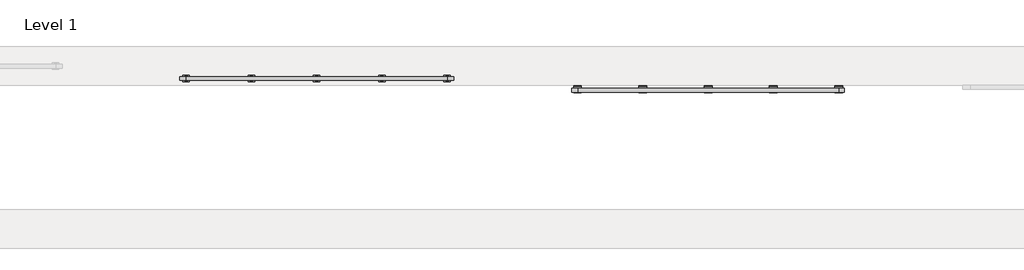
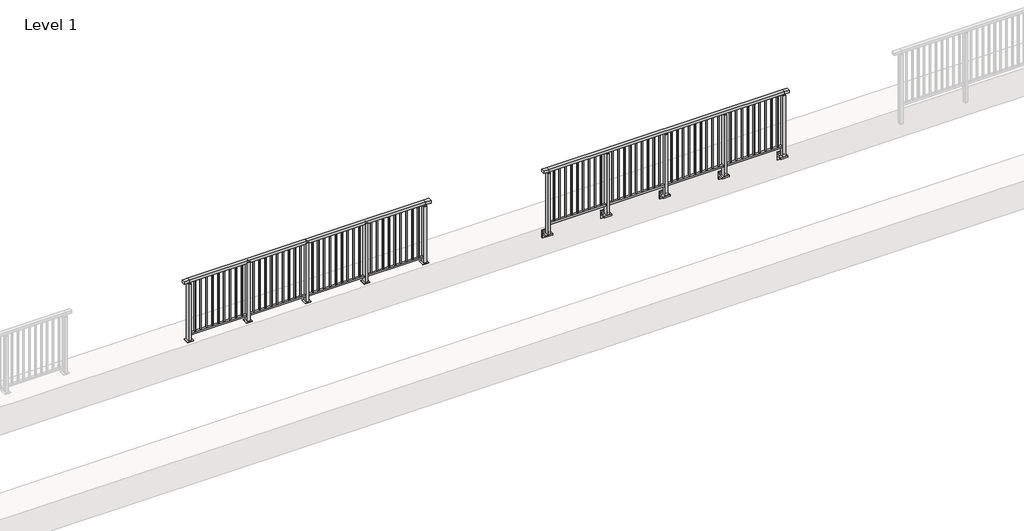
# One storey, part 14 of 37: 2 railings.
"""IFC4 building model written with IfcOpenShell, lengths in millimetres."""

import ifcopenshell
import ifcopenshell.guid

model = None  # the IFC model being written
_history = None  # IfcOwnerHistory: only IFC2X3 demands one
_inside = {}  # id of a spatial element -> (the spatial element, [elements in it])
_under = {}  # id of a project, library or spatial element -> (it, [spatial elements below it])
_declared = {}  # id of a project -> (the project, [libraries it declares])
_typed = {}  # id of a type object -> (the type object, [elements of that type])
_made_of = {}  # id of a material, layer set ... -> (it, [elements and type objects made of it])


def new_model(schema):
    """Start an empty IFC model of exactly this schema.

    Asked for "IFC4X3", IfcOpenShell would pick the latest addendum, in which some entities
    have other attributes; the version numbers below select the first issue.
    IFC2X3 requires an IfcOwnerHistory on every rooted entity: one is made here for all.
    """
    global model, _history
    if schema == "IFC4X3":
        model = ifcopenshell.file(schema_version=(4, 3, 0, 0))
    else:
        model = ifcopenshell.file(schema=schema)
    _inside.clear()
    _under.clear()
    _declared.clear()
    _typed.clear()
    _made_of.clear()
    _history = None
    if model.schema == "IFC2X3":
        org = make("IfcOrganization", Name="unknown")
        user = make(
            "IfcPersonAndOrganization",
            ThePerson=make("IfcPerson", FamilyName="unknown"),
            TheOrganization=org,
        )
        app = make(
            "IfcApplication",
            ApplicationDeveloper=org,
            Version="unknown",
            ApplicationFullName="unknown",
            ApplicationIdentifier="unknown",
        )
        _history = make(
            "IfcOwnerHistory",
            OwningUser=user,
            OwningApplication=app,
            ChangeAction="ADDED",
            CreationDate=0,
        )
    return model


def make(cls, **values):
    """One entity of the class cls with the attributes given. An attribute that is None is left unset."""
    return model.create_entity(
        cls, **{name: value for name, value in values.items() if value is not None}
    )


def rooted(cls, **values):
    """An entity with a GlobalId (a new one), such as an element, a storey or a relation."""
    return make(cls, GlobalId=ifcopenshell.guid.new(), OwnerHistory=_history, **values)


def si_unit(unit_type, name, prefix=None):
    """IfcSIUnit, for example si_unit("LENGTHUNIT", "METRE", prefix="MILLI")."""
    return make("IfcSIUnit", UnitType=unit_type, Prefix=prefix, Name=name)


def assignment(units):
    """IfcUnitAssignment: the units of a project."""
    return None if units is None else make("IfcUnitAssignment", Units=units)


def point(xyz):
    """IfcCartesianPoint."""
    return None if xyz is None else make("IfcCartesianPoint", Coordinates=xyz)


def direction(xyz):
    """IfcDirection."""
    return None if xyz is None else make("IfcDirection", DirectionRatios=xyz)


def frame(location, z_axis=None, x_axis=None):
    """IfcAxis2Placement3D, a coordinate frame: its origin and axes. An axis left out is left unset."""
    return make(
        "IfcAxis2Placement3D",
        Location=point(location),
        Axis=direction(z_axis),
        RefDirection=direction(x_axis),
    )


def frame_2d(location, x_axis=None):
    """IfcAxis2Placement2D, a coordinate frame in the plane: its origin and x axis."""
    return make(
        "IfcAxis2Placement2D", Location=point(location), RefDirection=direction(x_axis)
    )


def origin():
    """The frame at (0, 0, 0) with its axes left unset."""
    return frame((0.0, 0.0, 0.0))


def origin_with_axes():
    """The frame at (0, 0, 0) with the z axis (0, 0, 1) and the x axis (1, 0, 0) written out."""
    return frame((0.0, 0.0, 0.0), z_axis=(0.0, 0.0, 1.0), x_axis=(1.0, 0.0, 0.0))


def place(relative_to, where):
    """IfcLocalPlacement: puts the frame where relative to a parent placement (None: the world)."""
    return make(
        "IfcLocalPlacement", PlacementRelTo=relative_to, RelativePlacement=where
    )


def context(
    kind, dimensions, precision=None, world=None, true_north=None, identifier=None
):
    """IfcGeometricRepresentationContext, for example the 3D "Model" context."""
    return make(
        "IfcGeometricRepresentationContext",
        ContextIdentifier=identifier,
        ContextType=kind,
        CoordinateSpaceDimension=dimensions,
        Precision=precision,
        WorldCoordinateSystem=world,
        TrueNorth=true_north,
    )


def project(units=None, contexts=None):
    """IfcProject with its units and contexts."""
    return rooted(
        "IfcProject",
        Name="project",
        RepresentationContexts=contexts,
        UnitsInContext=assignment(units),
    )


def spatial(cls, under=None, at=None, **own):
    """A site, building, storey or space (cls), placed at a placement, below another one or the project."""
    s = rooted(cls, ObjectPlacement=at, **own)
    if under is not None:
        _under.setdefault(under.id(), (under, []))[1].append(s)
    return s


def polyline(points):
    """IfcPolyline through the points."""
    return make("IfcPolyline", Points=[point(p) for p in points])


def circle_curve(where, radius):
    """IfcCircle in the frame where."""
    return make("IfcCircle", Position=where, Radius=radius)


def trimmed(basis, trim1, trim2, sense, master):
    """IfcTrimmedCurve: the piece of a basis curve between two trims."""
    return make(
        "IfcTrimmedCurve",
        BasisCurve=basis,
        Trim1=trim1,
        Trim2=trim2,
        SenseAgreement=sense,
        MasterRepresentation=master,
    )


def segment(curve, same_sense, transition):
    """IfcCompositeCurveSegment."""
    return make(
        "IfcCompositeCurveSegment",
        Transition=transition,
        SameSense=same_sense,
        ParentCurve=curve,
    )


def composite_curve(segments, self_intersect=None):
    """IfcCompositeCurve: segments joined end to end."""
    return make("IfcCompositeCurve", Segments=segments, SelfIntersect=self_intersect)


def outline(outer, holes=None, kind="AREA"):
    """IfcArbitraryClosedProfileDef: a profile drawn as a closed curve; with holes, ...WithVoids."""
    if holes is None:
        return make("IfcArbitraryClosedProfileDef", ProfileType=kind, OuterCurve=outer)
    return make(
        "IfcArbitraryProfileDefWithVoids",
        ProfileType=kind,
        OuterCurve=outer,
        InnerCurves=holes,
    )


def extrude(swept, where, along, depth):
    """IfcExtrudedAreaSolid: the profile swept, set in the frame where, extruded along a direction by depth."""
    return make(
        "IfcExtrudedAreaSolid",
        SweptArea=swept,
        Position=where,
        ExtrudedDirection=direction(along),
        Depth=depth,
    )


def faces_of(points, faces, orient=None, outer=None):
    """IfcFace entities. A face is a list of loops; a loop is a list of indices into points, from 0.

    orient and outer hold one flag for each loop. By default every Orientation is true, the
    first loop of a face is its IfcFaceOuterBound and the others are IfcFaceBound.
    """
    made = []
    for i, loops in enumerate(faces):
        bounds = []
        for j, loop in enumerate(loops):
            is_outer = j == 0 if outer is None else outer[i][j]
            bounds.append(
                make(
                    "IfcFaceOuterBound" if is_outer else "IfcFaceBound",
                    Bound=make("IfcPolyLoop", Polygon=[points[k] for k in loop]),
                    Orientation=True if orient is None else orient[i][j],
                )
            )
        made.append(make("IfcFace", Bounds=bounds))
    return made


def faceted_brep(points, faces, orient=None, outer=None, voids=None):
    """IfcFacetedBrep: a solid bounded by flat faces; with voids (closed shells), ...WithVoids."""
    shared = [point(p) for p in points]
    hull = make("IfcClosedShell", CfsFaces=faces_of(shared, faces, orient, outer))
    if voids is None:
        return make("IfcFacetedBrep", Outer=hull)
    return make(
        "IfcFacetedBrepWithVoids",
        Outer=hull,
        Voids=[
            make(cls, CfsFaces=faces_of(shared, fs, o, b)) for cls, fs, o, b in voids
        ],
    )


def shape(context_of_items, identifier, shape_type, items):
    """IfcShapeRepresentation: the items that make up one representation, for example the "Body"."""
    return make(
        "IfcShapeRepresentation",
        ContextOfItems=context_of_items,
        RepresentationIdentifier=identifier,
        RepresentationType=shape_type,
        Items=items,
    )


def made_of(thing, what):
    """Note that an element or type object is made of a material, layer set ...; save() writes the relation."""
    if what is not None:
        _made_of.setdefault(what.id(), (what, []))[1].append(thing)
    return thing


def element(
    cls,
    number,
    at=None,
    inside=None,
    cuts=None,
    type_object=None,
    material=None,
    context=None,
    identifier="Body",
    shape_type=None,
    held_by="IfcProductDefinitionShape",
    body=None,
    shapes=None,
    **own,
):
    """One element of the class cls, such as IfcWall. Its Tag is "e" and its number.

    at: its placement. inside: the storey or other place that contains it. cuts: it is an
    opening in that element (IfcRelVoidsElement). A single representation is given by context,
    identifier, shape_type and body (its items); several are given by shapes. held_by: the class
    of the entity that holds the representations. save() writes the other relations.
    """
    e = rooted(cls, Tag="e%d" % number, ObjectPlacement=at, **own)
    if body is not None:
        shapes = [shape(context, identifier, shape_type, body)]
    if shapes is not None:
        e.Representation = make(held_by, Representations=shapes)
    if inside is not None:
        _inside.setdefault(inside.id(), (inside, []))[1].append(e)
    if cuts is not None:
        rooted(
            "IfcRelVoidsElement", RelatingBuildingElement=cuts, RelatedOpeningElement=e
        )
    if type_object is not None:
        _typed.setdefault(type_object.id(), (type_object, []))[1].append(e)
    return made_of(e, material)


def aggregate(whole, parts):
    """IfcRelAggregates: a whole, such as a stair, and the parts it consists of."""
    return rooted("IfcRelAggregates", RelatingObject=whole, RelatedObjects=parts)


def save(model, path):
    """Write the relations noted so far, then the file.

    IfcRelAggregates (storeys below a building ...), IfcRelContainedInSpatialStructure (elements
    in a storey), IfcRelDefinesByType, IfcRelAssociatesMaterial and IfcRelDeclares: one each for
    every whole, place, type object, material and project.
    """
    for whole, parts in _under.values():
        aggregate(whole, parts)
    for where, things in _inside.values():
        rooted(
            "IfcRelContainedInSpatialStructure",
            RelatedElements=things,
            RelatingStructure=where,
        )
    for kind, things in _typed.values():
        rooted("IfcRelDefinesByType", RelatedObjects=things, RelatingType=kind)
    for what, things in _made_of.values():
        rooted("IfcRelAssociatesMaterial", RelatedObjects=things, RelatingMaterial=what)
    for by, libraries in _declared.values():
        rooted("IfcRelDeclares", RelatingContext=by, RelatedDefinitions=libraries)
    model.write(path)


model = new_model("IFC4")

# Units and contexts
model_context = context("Model", 3, world=origin())
ifc_project = project(units=[si_unit("LENGTHUNIT", "METRE", prefix="MILLI")], contexts=[model_context])

# Site, building, storey
site = spatial("IfcSite", under=ifc_project)
building = spatial("IfcBuilding", under=site)
storey = spatial("IfcBuildingStorey", under=building, Name="Level 1", Elevation=0.0)

# Railings
placement = place(None, origin())
element("IfcRailing", 1, at=placement, inside=storey, context=model_context, shape_type="SolidModel", body=[
    faceted_brep([(11910.0, 17347.6846828, 1100.0), (11910.0, 17347.6846828, 1055.0), (11910.0, 17287.6846828, 1055.0), (11910.0, 17287.6846828, 1100.0), (12000.0, 17347.6846828, 1100.0), (12000.0, 17347.6846828, 1055.0), (12000.0, 17287.6846828, 1055.0), (12000.0, 17287.6846828, 1100.0), (16000.0, 17347.6846828, 1100.0), (16000.0, 17347.6846828, 1055.0), (16000.0, 17287.6846828, 1055.0), (16000.0, 17287.6846828, 1100.0), (16090.0, 17347.6846828, 1100.0), (16090.0, 17287.6846828, 1100.0), (16090.0, 17287.6846828, 1055.0), (16090.0, 17347.6846828, 1055.0)], [[[0, 1, 2, 3]], [[1, 0, 4, 5]], [[2, 1, 5, 6]], [[3, 2, 6, 7]], [[0, 3, 7, 4]], [[5, 4, 8, 9]], [[6, 5, 9, 10]], [[7, 6, 10, 11]], [[4, 7, 11, 8]], [[12, 13, 14, 15]], [[9, 8, 12, 15]], [[10, 9, 15, 14]], [[11, 10, 14, 13]], [[8, 11, 13, 12]]]),
    extrude(outline(polyline([(12000.0, 17300.1846828), (12000.0, 17335.1846828), (16000.0, 17335.1846828), (16000.0, 17300.1846828), (12000.0, 17300.1846828)])), frame((0.0, 0.0, 95.0), z_axis=(0.0, 0.0, 1.0), x_axis=(1.0, 0.0, 0.0)), (0.0, 0.0, 1.0), 30.0),
    extrude(outline(polyline([(15908.5, 17309.1846828), (15891.5, 17309.1846828), (15891.5, 17326.1846828), (15908.5, 17326.1846828), (15908.5, 17309.1846828)])), frame((0.0, 0.0, 125.0), z_axis=(0.0, 0.0, 1.0), x_axis=(1.0, 0.0, 0.0)), (0.0, 0.0, 1.0), 930.0),
    extrude(outline(polyline([(15808.5, 17309.1846828), (15791.5, 17309.1846828), (15791.5, 17326.1846828), (15808.5, 17326.1846828), (15808.5, 17309.1846828)])), frame((0.0, 0.0, 125.0), z_axis=(0.0, 0.0, 1.0), x_axis=(1.0, 0.0, 0.0)), (0.0, 0.0, 1.0), 930.0),
    extrude(outline(polyline([(15708.5, 17309.1846828), (15691.5, 17309.1846828), (15691.5, 17326.1846828), (15708.5, 17326.1846828), (15708.5, 17309.1846828)])), frame((0.0, 0.0, 125.0), z_axis=(0.0, 0.0, 1.0), x_axis=(1.0, 0.0, 0.0)), (0.0, 0.0, 1.0), 930.0),
    extrude(outline(polyline([(15608.5, 17309.1846828), (15591.5, 17309.1846828), (15591.5, 17326.1846828), (15608.5, 17326.1846828), (15608.5, 17309.1846828)])), frame((0.0, 0.0, 125.0), z_axis=(0.0, 0.0, 1.0), x_axis=(1.0, 0.0, 0.0)), (0.0, 0.0, 1.0), 930.0),
    extrude(outline(polyline([(15508.5, 17309.1846828), (15491.5, 17309.1846828), (15491.5, 17326.1846828), (15508.5, 17326.1846828), (15508.5, 17309.1846828)])), frame((0.0, 0.0, 125.0), z_axis=(0.0, 0.0, 1.0), x_axis=(1.0, 0.0, 0.0)), (0.0, 0.0, 1.0), 930.0),
    extrude(outline(polyline([(15408.5, 17309.1846828), (15391.5, 17309.1846828), (15391.5, 17326.1846828), (15408.5, 17326.1846828), (15408.5, 17309.1846828)])), frame((0.0, 0.0, 125.0), z_axis=(0.0, 0.0, 1.0), x_axis=(1.0, 0.0, 0.0)), (0.0, 0.0, 1.0), 930.0),
    extrude(outline(polyline([(15308.5, 17309.1846828), (15291.5, 17309.1846828), (15291.5, 17326.1846828), (15308.5, 17326.1846828), (15308.5, 17309.1846828)])), frame((0.0, 0.0, 125.0), z_axis=(0.0, 0.0, 1.0), x_axis=(1.0, 0.0, 0.0)), (0.0, 0.0, 1.0), 930.0),
    extrude(outline(polyline([(15208.5, 17309.1846828), (15191.5, 17309.1846828), (15191.5, 17326.1846828), (15208.5, 17326.1846828), (15208.5, 17309.1846828)])), frame((0.0, 0.0, 125.0), z_axis=(0.0, 0.0, 1.0), x_axis=(1.0, 0.0, 0.0)), (0.0, 0.0, 1.0), 930.0),
    extrude(outline(polyline([(15108.5, 17309.1846828), (15091.5, 17309.1846828), (15091.5, 17326.1846828), (15108.5, 17326.1846828), (15108.5, 17309.1846828)])), frame((0.0, 0.0, 125.0), z_axis=(0.0, 0.0, 1.0), x_axis=(1.0, 0.0, 0.0)), (0.0, 0.0, 1.0), 930.0),
    extrude(outline(composite_curve([segment(polyline([(17350.1846828, -70.0), (17384.1846828, -63.0), (17384.1846828, -32.5), (17400.1846828, -32.5), (17400.1846828, -167.5), (17384.1846828, -167.5), (17384.1846828, -113.5)]), True, "CONTINUOUS"), segment(trimmed(circle_curve(frame_2d((17364.1846828, -113.5)), 20.0), [point((17384.1846828, -113.5))], [point((17364.1846828, -93.5))], True, "CARTESIAN"), True, "CONTINUOUS"), segment(polyline([(17364.1846828, -93.5), (17280.1846828, -93.5), (17280.1846828, -70.0), (17350.1846828, -70.0)]), True, "CONTINUOUS")], self_intersect=False)), frame((14940.0, 0.0, 0.0), z_axis=(1.0, 0.0, 0.0), x_axis=(0.0, 1.0, 0.0)), (0.0, 0.0, 1.0), 120.0),
    extrude(outline(polyline([(15022.5, 17350.1846828), (15022.5, 17285.1846828), (14977.5, 17285.1846828), (14977.5, 17350.1846828), (15022.5, 17350.1846828)])), frame((0.0, 0.0, -70.0), z_axis=(0.0, 0.0, 1.0), x_axis=(1.0, 0.0, 0.0)), (0.0, 0.0, 1.0), 1097.0),
    extrude(outline(polyline([(15010.0, 17327.6846828), (15010.0, 17307.6846828), (14990.0, 17307.6846828), (14990.0, 17327.6846828), (15010.0, 17327.6846828)])), frame((0.0, 0.0, 1035.0), z_axis=(0.0, 0.0, 1.0), x_axis=(1.0, 0.0, 0.0)), (0.0, 0.0, 1.0), 20.0),
    extrude(outline(polyline([(15022.5, 17350.1846828), (15022.5, 17285.1846828), (14977.5, 17285.1846828), (14977.5, 17350.1846828), (15022.5, 17350.1846828)])), frame((0.0, 0.0, 1027.0), z_axis=(0.0, 0.0, 1.0), x_axis=(1.0, 0.0, 0.0)), (0.0, 0.0, 1.0), 8.0),
    extrude(outline(polyline([(14908.5, 17309.1846828), (14891.5, 17309.1846828), (14891.5, 17326.1846828), (14908.5, 17326.1846828), (14908.5, 17309.1846828)])), frame((0.0, 0.0, 125.0), z_axis=(0.0, 0.0, 1.0), x_axis=(1.0, 0.0, 0.0)), (0.0, 0.0, 1.0), 930.0),
    extrude(outline(polyline([(14808.5, 17309.1846828), (14791.5, 17309.1846828), (14791.5, 17326.1846828), (14808.5, 17326.1846828), (14808.5, 17309.1846828)])), frame((0.0, 0.0, 125.0), z_axis=(0.0, 0.0, 1.0), x_axis=(1.0, 0.0, 0.0)), (0.0, 0.0, 1.0), 930.0),
    extrude(outline(polyline([(14708.5, 17309.1846828), (14691.5, 17309.1846828), (14691.5, 17326.1846828), (14708.5, 17326.1846828), (14708.5, 17309.1846828)])), frame((0.0, 0.0, 125.0), z_axis=(0.0, 0.0, 1.0), x_axis=(1.0, 0.0, 0.0)), (0.0, 0.0, 1.0), 930.0),
    extrude(outline(polyline([(14608.5, 17309.1846828), (14591.5, 17309.1846828), (14591.5, 17326.1846828), (14608.5, 17326.1846828), (14608.5, 17309.1846828)])), frame((0.0, 0.0, 125.0), z_axis=(0.0, 0.0, 1.0), x_axis=(1.0, 0.0, 0.0)), (0.0, 0.0, 1.0), 930.0),
    extrude(outline(polyline([(14508.5, 17309.1846828), (14491.5, 17309.1846828), (14491.5, 17326.1846828), (14508.5, 17326.1846828), (14508.5, 17309.1846828)])), frame((0.0, 0.0, 125.0), z_axis=(0.0, 0.0, 1.0), x_axis=(1.0, 0.0, 0.0)), (0.0, 0.0, 1.0), 930.0),
    extrude(outline(polyline([(14408.5, 17309.1846828), (14391.5, 17309.1846828), (14391.5, 17326.1846828), (14408.5, 17326.1846828), (14408.5, 17309.1846828)])), frame((0.0, 0.0, 125.0), z_axis=(0.0, 0.0, 1.0), x_axis=(1.0, 0.0, 0.0)), (0.0, 0.0, 1.0), 930.0),
    extrude(outline(polyline([(14308.5, 17309.1846828), (14291.5, 17309.1846828), (14291.5, 17326.1846828), (14308.5, 17326.1846828), (14308.5, 17309.1846828)])), frame((0.0, 0.0, 125.0), z_axis=(0.0, 0.0, 1.0), x_axis=(1.0, 0.0, 0.0)), (0.0, 0.0, 1.0), 930.0),
    extrude(outline(polyline([(14208.5, 17309.1846828), (14191.5, 17309.1846828), (14191.5, 17326.1846828), (14208.5, 17326.1846828), (14208.5, 17309.1846828)])), frame((0.0, 0.0, 125.0), z_axis=(0.0, 0.0, 1.0), x_axis=(1.0, 0.0, 0.0)), (0.0, 0.0, 1.0), 930.0),
    extrude(outline(polyline([(14108.5, 17309.1846828), (14091.5, 17309.1846828), (14091.5, 17326.1846828), (14108.5, 17326.1846828), (14108.5, 17309.1846828)])), frame((0.0, 0.0, 125.0), z_axis=(0.0, 0.0, 1.0), x_axis=(1.0, 0.0, 0.0)), (0.0, 0.0, 1.0), 930.0),
    extrude(outline(composite_curve([segment(polyline([(17350.1846828, -70.0), (17384.1846828, -63.0), (17384.1846828, -32.5), (17400.1846828, -32.5), (17400.1846828, -167.5), (17384.1846828, -167.5), (17384.1846828, -113.5)]), True, "CONTINUOUS"), segment(trimmed(circle_curve(frame_2d((17364.1846828, -113.5)), 20.0), [point((17384.1846828, -113.5))], [point((17364.1846828, -93.5))], True, "CARTESIAN"), True, "CONTINUOUS"), segment(polyline([(17364.1846828, -93.5), (17280.1846828, -93.5), (17280.1846828, -70.0), (17350.1846828, -70.0)]), True, "CONTINUOUS")], self_intersect=False)), frame((13940.0, 0.0, 0.0), z_axis=(1.0, 0.0, 0.0), x_axis=(0.0, 1.0, 0.0)), (0.0, 0.0, 1.0), 120.0),
    extrude(outline(polyline([(14022.5, 17350.1846828), (14022.5, 17285.1846828), (13977.5, 17285.1846828), (13977.5, 17350.1846828), (14022.5, 17350.1846828)])), frame((0.0, 0.0, -70.0), z_axis=(0.0, 0.0, 1.0), x_axis=(1.0, 0.0, 0.0)), (0.0, 0.0, 1.0), 1097.0),
    extrude(outline(polyline([(14010.0, 17327.6846828), (14010.0, 17307.6846828), (13990.0, 17307.6846828), (13990.0, 17327.6846828), (14010.0, 17327.6846828)])), frame((0.0, 0.0, 1035.0), z_axis=(0.0, 0.0, 1.0), x_axis=(1.0, 0.0, 0.0)), (0.0, 0.0, 1.0), 20.0),
    extrude(outline(polyline([(14022.5, 17350.1846828), (14022.5, 17285.1846828), (13977.5, 17285.1846828), (13977.5, 17350.1846828), (14022.5, 17350.1846828)])), frame((0.0, 0.0, 1027.0), z_axis=(0.0, 0.0, 1.0), x_axis=(1.0, 0.0, 0.0)), (0.0, 0.0, 1.0), 8.0),
    extrude(outline(polyline([(13908.5, 17309.1846828), (13891.5, 17309.1846828), (13891.5, 17326.1846828), (13908.5, 17326.1846828), (13908.5, 17309.1846828)])), frame((0.0, 0.0, 125.0), z_axis=(0.0, 0.0, 1.0), x_axis=(1.0, 0.0, 0.0)), (0.0, 0.0, 1.0), 930.0),
    extrude(outline(polyline([(13808.5, 17309.1846828), (13791.5, 17309.1846828), (13791.5, 17326.1846828), (13808.5, 17326.1846828), (13808.5, 17309.1846828)])), frame((0.0, 0.0, 125.0), z_axis=(0.0, 0.0, 1.0), x_axis=(1.0, 0.0, 0.0)), (0.0, 0.0, 1.0), 930.0),
    extrude(outline(polyline([(13708.5, 17309.1846828), (13691.5, 17309.1846828), (13691.5, 17326.1846828), (13708.5, 17326.1846828), (13708.5, 17309.1846828)])), frame((0.0, 0.0, 125.0), z_axis=(0.0, 0.0, 1.0), x_axis=(1.0, 0.0, 0.0)), (0.0, 0.0, 1.0), 930.0),
    extrude(outline(polyline([(13608.5, 17309.1846828), (13591.5, 17309.1846828), (13591.5, 17326.1846828), (13608.5, 17326.1846828), (13608.5, 17309.1846828)])), frame((0.0, 0.0, 125.0), z_axis=(0.0, 0.0, 1.0), x_axis=(1.0, 0.0, 0.0)), (0.0, 0.0, 1.0), 930.0),
    extrude(outline(polyline([(13508.5, 17309.1846828), (13491.5, 17309.1846828), (13491.5, 17326.1846828), (13508.5, 17326.1846828), (13508.5, 17309.1846828)])), frame((0.0, 0.0, 125.0), z_axis=(0.0, 0.0, 1.0), x_axis=(1.0, 0.0, 0.0)), (0.0, 0.0, 1.0), 930.0),
    extrude(outline(polyline([(13408.5, 17309.1846828), (13391.5, 17309.1846828), (13391.5, 17326.1846828), (13408.5, 17326.1846828), (13408.5, 17309.1846828)])), frame((0.0, 0.0, 125.0), z_axis=(0.0, 0.0, 1.0), x_axis=(1.0, 0.0, 0.0)), (0.0, 0.0, 1.0), 930.0),
    extrude(outline(polyline([(13308.5, 17309.1846828), (13291.5, 17309.1846828), (13291.5, 17326.1846828), (13308.5, 17326.1846828), (13308.5, 17309.1846828)])), frame((0.0, 0.0, 125.0), z_axis=(0.0, 0.0, 1.0), x_axis=(1.0, 0.0, 0.0)), (0.0, 0.0, 1.0), 930.0),
    extrude(outline(polyline([(13208.5, 17309.1846828), (13191.5, 17309.1846828), (13191.5, 17326.1846828), (13208.5, 17326.1846828), (13208.5, 17309.1846828)])), frame((0.0, 0.0, 125.0), z_axis=(0.0, 0.0, 1.0), x_axis=(1.0, 0.0, 0.0)), (0.0, 0.0, 1.0), 930.0),
    extrude(outline(polyline([(13108.5, 17309.1846828), (13091.5, 17309.1846828), (13091.5, 17326.1846828), (13108.5, 17326.1846828), (13108.5, 17309.1846828)])), frame((0.0, 0.0, 125.0), z_axis=(0.0, 0.0, 1.0), x_axis=(1.0, 0.0, 0.0)), (0.0, 0.0, 1.0), 930.0),
    extrude(outline(composite_curve([segment(polyline([(17350.1846828, -70.0), (17384.1846828, -63.0), (17384.1846828, -32.5), (17400.1846828, -32.5), (17400.1846828, -167.5), (17384.1846828, -167.5), (17384.1846828, -113.5)]), True, "CONTINUOUS"), segment(trimmed(circle_curve(frame_2d((17364.1846828, -113.5)), 20.0), [point((17384.1846828, -113.5))], [point((17364.1846828, -93.5))], True, "CARTESIAN"), True, "CONTINUOUS"), segment(polyline([(17364.1846828, -93.5), (17280.1846828, -93.5), (17280.1846828, -70.0), (17350.1846828, -70.0)]), True, "CONTINUOUS")], self_intersect=False)), frame((12940.0, 0.0, 0.0), z_axis=(1.0, 0.0, 0.0), x_axis=(0.0, 1.0, 0.0)), (0.0, 0.0, 1.0), 120.0),
    extrude(outline(polyline([(13022.5, 17350.1846828), (13022.5, 17285.1846828), (12977.5, 17285.1846828), (12977.5, 17350.1846828), (13022.5, 17350.1846828)])), frame((0.0, 0.0, -70.0), z_axis=(0.0, 0.0, 1.0), x_axis=(1.0, 0.0, 0.0)), (0.0, 0.0, 1.0), 1097.0),
    extrude(outline(polyline([(13010.0, 17327.6846828), (13010.0, 17307.6846828), (12990.0, 17307.6846828), (12990.0, 17327.6846828), (13010.0, 17327.6846828)])), frame((0.0, 0.0, 1035.0), z_axis=(0.0, 0.0, 1.0), x_axis=(1.0, 0.0, 0.0)), (0.0, 0.0, 1.0), 20.0),
    extrude(outline(polyline([(13022.5, 17350.1846828), (13022.5, 17285.1846828), (12977.5, 17285.1846828), (12977.5, 17350.1846828), (13022.5, 17350.1846828)])), frame((0.0, 0.0, 1027.0), z_axis=(0.0, 0.0, 1.0), x_axis=(1.0, 0.0, 0.0)), (0.0, 0.0, 1.0), 8.0),
    extrude(outline(polyline([(12908.5, 17309.1846828), (12891.5, 17309.1846828), (12891.5, 17326.1846828), (12908.5, 17326.1846828), (12908.5, 17309.1846828)])), frame((0.0, 0.0, 125.0), z_axis=(0.0, 0.0, 1.0), x_axis=(1.0, 0.0, 0.0)), (0.0, 0.0, 1.0), 930.0),
    extrude(outline(polyline([(12808.5, 17309.1846828), (12791.5, 17309.1846828), (12791.5, 17326.1846828), (12808.5, 17326.1846828), (12808.5, 17309.1846828)])), frame((0.0, 0.0, 125.0), z_axis=(0.0, 0.0, 1.0), x_axis=(1.0, 0.0, 0.0)), (0.0, 0.0, 1.0), 930.0),
    extrude(outline(polyline([(12708.5, 17309.1846828), (12691.5, 17309.1846828), (12691.5, 17326.1846828), (12708.5, 17326.1846828), (12708.5, 17309.1846828)])), frame((0.0, 0.0, 125.0), z_axis=(0.0, 0.0, 1.0), x_axis=(1.0, 0.0, 0.0)), (0.0, 0.0, 1.0), 930.0),
    extrude(outline(polyline([(12608.5, 17309.1846828), (12591.5, 17309.1846828), (12591.5, 17326.1846828), (12608.5, 17326.1846828), (12608.5, 17309.1846828)])), frame((0.0, 0.0, 125.0), z_axis=(0.0, 0.0, 1.0), x_axis=(1.0, 0.0, 0.0)), (0.0, 0.0, 1.0), 930.0),
    extrude(outline(polyline([(12508.5, 17309.1846828), (12491.5, 17309.1846828), (12491.5, 17326.1846828), (12508.5, 17326.1846828), (12508.5, 17309.1846828)])), frame((0.0, 0.0, 125.0), z_axis=(0.0, 0.0, 1.0), x_axis=(1.0, 0.0, 0.0)), (0.0, 0.0, 1.0), 930.0),
    extrude(outline(polyline([(12408.5, 17309.1846828), (12391.5, 17309.1846828), (12391.5, 17326.1846828), (12408.5, 17326.1846828), (12408.5, 17309.1846828)])), frame((0.0, 0.0, 125.0), z_axis=(0.0, 0.0, 1.0), x_axis=(1.0, 0.0, 0.0)), (0.0, 0.0, 1.0), 930.0),
    extrude(outline(polyline([(12308.5, 17309.1846828), (12291.5, 17309.1846828), (12291.5, 17326.1846828), (12308.5, 17326.1846828), (12308.5, 17309.1846828)])), frame((0.0, 0.0, 125.0), z_axis=(0.0, 0.0, 1.0), x_axis=(1.0, 0.0, 0.0)), (0.0, 0.0, 1.0), 930.0),
    extrude(outline(polyline([(12208.5, 17309.1846828), (12191.5, 17309.1846828), (12191.5, 17326.1846828), (12208.5, 17326.1846828), (12208.5, 17309.1846828)])), frame((0.0, 0.0, 125.0), z_axis=(0.0, 0.0, 1.0), x_axis=(1.0, 0.0, 0.0)), (0.0, 0.0, 1.0), 930.0),
    extrude(outline(polyline([(12108.5, 17309.1846828), (12091.5, 17309.1846828), (12091.5, 17326.1846828), (12108.5, 17326.1846828), (12108.5, 17309.1846828)])), frame((0.0, 0.0, 125.0), z_axis=(0.0, 0.0, 1.0), x_axis=(1.0, 0.0, 0.0)), (0.0, 0.0, 1.0), 930.0),
    extrude(outline(composite_curve([segment(polyline([(17350.1846828, -70.0), (17384.1846828, -63.0), (17384.1846828, -32.5), (17400.1846828, -32.5), (17400.1846828, -167.5), (17384.1846828, -167.5), (17384.1846828, -113.5)]), True, "CONTINUOUS"), segment(trimmed(circle_curve(frame_2d((17364.1846828, -113.5)), 20.0), [point((17384.1846828, -113.5))], [point((17364.1846828, -93.5))], True, "CARTESIAN"), True, "CONTINUOUS"), segment(polyline([(17364.1846828, -93.5), (17280.1846828, -93.5), (17280.1846828, -70.0), (17350.1846828, -70.0)]), True, "CONTINUOUS")], self_intersect=False)), frame((15940.0, 0.0, 0.0), z_axis=(1.0, 0.0, 0.0), x_axis=(0.0, 1.0, 0.0)), (0.0, 0.0, 1.0), 120.0),
    extrude(outline(polyline([(16022.5, 17350.1846828), (16022.5, 17285.1846828), (15977.5, 17285.1846828), (15977.5, 17350.1846828), (16022.5, 17350.1846828)])), frame((0.0, 0.0, -70.0), z_axis=(0.0, 0.0, 1.0), x_axis=(1.0, 0.0, 0.0)), (0.0, 0.0, 1.0), 1097.0),
    extrude(outline(polyline([(16010.0, 17327.6846828), (16010.0, 17307.6846828), (15990.0, 17307.6846828), (15990.0, 17327.6846828), (16010.0, 17327.6846828)])), frame((0.0, 0.0, 1035.0), z_axis=(0.0, 0.0, 1.0), x_axis=(1.0, 0.0, 0.0)), (0.0, 0.0, 1.0), 20.0),
    extrude(outline(polyline([(16022.5, 17350.1846828), (16022.5, 17285.1846828), (15977.5, 17285.1846828), (15977.5, 17350.1846828), (16022.5, 17350.1846828)])), frame((0.0, 0.0, 1027.0), z_axis=(0.0, 0.0, 1.0), x_axis=(1.0, 0.0, 0.0)), (0.0, 0.0, 1.0), 8.0),
    extrude(outline(composite_curve([segment(polyline([(17350.1846828, -70.0), (17384.1846828, -63.0), (17384.1846828, -32.5), (17400.1846828, -32.5), (17400.1846828, -167.5), (17384.1846828, -167.5), (17384.1846828, -113.5)]), True, "CONTINUOUS"), segment(trimmed(circle_curve(frame_2d((17364.1846828, -113.5)), 20.0), [point((17384.1846828, -113.5))], [point((17364.1846828, -93.5))], True, "CARTESIAN"), True, "CONTINUOUS"), segment(polyline([(17364.1846828, -93.5), (17280.1846828, -93.5), (17280.1846828, -70.0), (17350.1846828, -70.0)]), True, "CONTINUOUS")], self_intersect=False)), frame((11940.0, 0.0, 0.0), z_axis=(1.0, 0.0, 0.0), x_axis=(0.0, 1.0, 0.0)), (0.0, 0.0, 1.0), 120.0),
    extrude(outline(polyline([(12022.5, 17350.1846828), (12022.5, 17285.1846828), (11977.5, 17285.1846828), (11977.5, 17350.1846828), (12022.5, 17350.1846828)])), frame((0.0, 0.0, -70.0), z_axis=(0.0, 0.0, 1.0), x_axis=(1.0, 0.0, 0.0)), (0.0, 0.0, 1.0), 1097.0),
    extrude(outline(polyline([(12010.0, 17327.6846828), (12010.0, 17307.6846828), (11990.0, 17307.6846828), (11990.0, 17327.6846828), (12010.0, 17327.6846828)])), frame((0.0, 0.0, 1035.0), z_axis=(0.0, 0.0, 1.0), x_axis=(1.0, 0.0, 0.0)), (0.0, 0.0, 1.0), 20.0),
    extrude(outline(polyline([(12022.5, 17350.1846828), (12022.5, 17285.1846828), (11977.5, 17285.1846828), (11977.5, 17350.1846828), (12022.5, 17350.1846828)])), frame((0.0, 0.0, 1027.0), z_axis=(0.0, 0.0, 1.0), x_axis=(1.0, 0.0, 0.0)), (0.0, 0.0, 1.0), 8.0),
])
element("IfcRailing", 2, at=placement, inside=storey, context=model_context, shape_type="SolidModel", body=[
    faceted_brep([(6000.0, 17530.1846828, 1055.0), (6000.0, 17530.1846828, 1100.0), (10000.0, 17530.1846828, 1100.0), (10000.0, 17530.1846828, 1055.0), (6000.0, 17470.1846828, 1055.0), (10000.0, 17470.1846828, 1055.0), (6000.0, 17470.1846828, 1100.0), (10000.0, 17470.1846828, 1100.0), (5900.0, 17530.1846828, 1100.0), (5900.0, 17530.1846828, 1055.0), (5900.0, 17470.1846828, 1055.0), (5900.0, 17470.1846828, 1100.0), (10100.0, 17530.1846828, 1100.0), (10100.0, 17470.1846828, 1100.0), (10100.0, 17470.1846828, 1055.0), (10100.0, 17530.1846828, 1055.0)], [[[0, 1, 2, 3]], [[4, 0, 3, 5]], [[6, 4, 5, 7]], [[1, 6, 7, 2]], [[8, 9, 10, 11]], [[9, 8, 1, 0]], [[10, 9, 0, 4]], [[11, 10, 4, 6]], [[8, 11, 6, 1]], [[12, 13, 14, 15]], [[3, 2, 12, 15]], [[5, 3, 15, 14]], [[7, 5, 14, 13]], [[2, 7, 13, 12]]]),
    extrude(outline(polyline([(6000.0, 17482.6846828), (6000.0, 17517.6846828), (10000.0, 17517.6846828), (10000.0, 17482.6846828), (6000.0, 17482.6846828)])), frame((0.0, 0.0, 95.0), z_axis=(0.0, 0.0, 1.0), x_axis=(1.0, 0.0, 0.0)), (0.0, 0.0, 1.0), 30.0),
    extrude(outline(polyline([(9908.5, 17508.6846828), (9908.5, 17491.6846828), (9891.5, 17491.6846828), (9891.5, 17508.6846828), (9908.5, 17508.6846828)])), frame((0.0, 0.0, 125.0), z_axis=(0.0, 0.0, 1.0), x_axis=(1.0, 0.0, 0.0)), (0.0, 0.0, 1.0), 930.0),
    extrude(outline(polyline([(9808.5, 17508.6846828), (9808.5, 17491.6846828), (9791.5, 17491.6846828), (9791.5, 17508.6846828), (9808.5, 17508.6846828)])), frame((0.0, 0.0, 125.0), z_axis=(0.0, 0.0, 1.0), x_axis=(1.0, 0.0, 0.0)), (0.0, 0.0, 1.0), 930.0),
    extrude(outline(polyline([(9708.5, 17508.6846828), (9708.5, 17491.6846828), (9691.5, 17491.6846828), (9691.5, 17508.6846828), (9708.5, 17508.6846828)])), frame((0.0, 0.0, 125.0), z_axis=(0.0, 0.0, 1.0), x_axis=(1.0, 0.0, 0.0)), (0.0, 0.0, 1.0), 930.0),
    extrude(outline(polyline([(9608.5, 17508.6846828), (9608.5, 17491.6846828), (9591.5, 17491.6846828), (9591.5, 17508.6846828), (9608.5, 17508.6846828)])), frame((0.0, 0.0, 125.0), z_axis=(0.0, 0.0, 1.0), x_axis=(1.0, 0.0, 0.0)), (0.0, 0.0, 1.0), 930.0),
    extrude(outline(polyline([(9508.5, 17508.6846828), (9508.5, 17491.6846828), (9491.5, 17491.6846828), (9491.5, 17508.6846828), (9508.5, 17508.6846828)])), frame((0.0, 0.0, 125.0), z_axis=(0.0, 0.0, 1.0), x_axis=(1.0, 0.0, 0.0)), (0.0, 0.0, 1.0), 930.0),
    extrude(outline(polyline([(9408.5, 17508.6846828), (9408.5, 17491.6846828), (9391.5, 17491.6846828), (9391.5, 17508.6846828), (9408.5, 17508.6846828)])), frame((0.0, 0.0, 125.0), z_axis=(0.0, 0.0, 1.0), x_axis=(1.0, 0.0, 0.0)), (0.0, 0.0, 1.0), 930.0),
    extrude(outline(polyline([(9308.5, 17508.6846828), (9308.5, 17491.6846828), (9291.5, 17491.6846828), (9291.5, 17508.6846828), (9308.5, 17508.6846828)])), frame((0.0, 0.0, 125.0), z_axis=(0.0, 0.0, 1.0), x_axis=(1.0, 0.0, 0.0)), (0.0, 0.0, 1.0), 930.0),
    extrude(outline(polyline([(9208.5, 17508.6846828), (9208.5, 17491.6846828), (9191.5, 17491.6846828), (9191.5, 17508.6846828), (9208.5, 17508.6846828)])), frame((0.0, 0.0, 125.0), z_axis=(0.0, 0.0, 1.0), x_axis=(1.0, 0.0, 0.0)), (0.0, 0.0, 1.0), 930.0),
    extrude(outline(polyline([(9108.5, 17508.6846828), (9108.5, 17491.6846828), (9091.5, 17491.6846828), (9091.5, 17508.6846828), (9108.5, 17508.6846828)])), frame((0.0, 0.0, 125.0), z_axis=(0.0, 0.0, 1.0), x_axis=(1.0, 0.0, 0.0)), (0.0, 0.0, 1.0), 930.0),
    extrude(outline(polyline([(9010.0, 17490.1846828), (8990.0, 17490.1846828), (8990.0, 17510.1846828), (9010.0, 17510.1846828), (9010.0, 17490.1846828)])), frame((0.0, 0.0, 1080.0), z_axis=(0.0, 0.0, 1.0), x_axis=(1.0, 0.0, 0.0)), (0.0, 0.0, 1.0), 20.0),
    extrude(outline(polyline([(9022.5, 17467.6846828), (8977.5, 17467.6846828), (8977.5, 17532.6846828), (9022.5, 17532.6846828), (9022.5, 17467.6846828)])), frame((0.0, 0.0, 1072.0), z_axis=(0.0, 0.0, 1.0), x_axis=(1.0, 0.0, 0.0)), (0.0, 0.0, 1.0), 8.0),
    extrude(outline(polyline([(9050.0, 17450.1846828), (8950.0, 17450.1846828), (8950.0, 17550.1846828), (9050.0, 17550.1846828), (9050.0, 17450.1846828)])), origin_with_axes(), (0.0, 0.0, 1.0), 12.0),
    extrude(outline(polyline([(9022.5, 17467.6846828), (8977.5, 17467.6846828), (8977.5, 17532.6846828), (9022.5, 17532.6846828), (9022.5, 17467.6846828)])), frame((0.0, 0.0, 12.0), z_axis=(0.0, 0.0, 1.0), x_axis=(1.0, 0.0, 0.0)), (0.0, 0.0, 1.0), 1060.0),
    extrude(outline(polyline([(8908.5, 17508.6846828), (8908.5, 17491.6846828), (8891.5, 17491.6846828), (8891.5, 17508.6846828), (8908.5, 17508.6846828)])), frame((0.0, 0.0, 125.0), z_axis=(0.0, 0.0, 1.0), x_axis=(1.0, 0.0, 0.0)), (0.0, 0.0, 1.0), 930.0),
    extrude(outline(polyline([(8808.5, 17508.6846828), (8808.5, 17491.6846828), (8791.5, 17491.6846828), (8791.5, 17508.6846828), (8808.5, 17508.6846828)])), frame((0.0, 0.0, 125.0), z_axis=(0.0, 0.0, 1.0), x_axis=(1.0, 0.0, 0.0)), (0.0, 0.0, 1.0), 930.0),
    extrude(outline(polyline([(8708.5, 17508.6846828), (8708.5, 17491.6846828), (8691.5, 17491.6846828), (8691.5, 17508.6846828), (8708.5, 17508.6846828)])), frame((0.0, 0.0, 125.0), z_axis=(0.0, 0.0, 1.0), x_axis=(1.0, 0.0, 0.0)), (0.0, 0.0, 1.0), 930.0),
    extrude(outline(polyline([(8608.5, 17508.6846828), (8608.5, 17491.6846828), (8591.5, 17491.6846828), (8591.5, 17508.6846828), (8608.5, 17508.6846828)])), frame((0.0, 0.0, 125.0), z_axis=(0.0, 0.0, 1.0), x_axis=(1.0, 0.0, 0.0)), (0.0, 0.0, 1.0), 930.0),
    extrude(outline(polyline([(8508.5, 17508.6846828), (8508.5, 17491.6846828), (8491.5, 17491.6846828), (8491.5, 17508.6846828), (8508.5, 17508.6846828)])), frame((0.0, 0.0, 125.0), z_axis=(0.0, 0.0, 1.0), x_axis=(1.0, 0.0, 0.0)), (0.0, 0.0, 1.0), 930.0),
    extrude(outline(polyline([(8408.5, 17508.6846828), (8408.5, 17491.6846828), (8391.5, 17491.6846828), (8391.5, 17508.6846828), (8408.5, 17508.6846828)])), frame((0.0, 0.0, 125.0), z_axis=(0.0, 0.0, 1.0), x_axis=(1.0, 0.0, 0.0)), (0.0, 0.0, 1.0), 930.0),
    extrude(outline(polyline([(8308.5, 17508.6846828), (8308.5, 17491.6846828), (8291.5, 17491.6846828), (8291.5, 17508.6846828), (8308.5, 17508.6846828)])), frame((0.0, 0.0, 125.0), z_axis=(0.0, 0.0, 1.0), x_axis=(1.0, 0.0, 0.0)), (0.0, 0.0, 1.0), 930.0),
    extrude(outline(polyline([(8208.5, 17508.6846828), (8208.5, 17491.6846828), (8191.5, 17491.6846828), (8191.5, 17508.6846828), (8208.5, 17508.6846828)])), frame((0.0, 0.0, 125.0), z_axis=(0.0, 0.0, 1.0), x_axis=(1.0, 0.0, 0.0)), (0.0, 0.0, 1.0), 930.0),
    extrude(outline(polyline([(8108.5, 17508.6846828), (8108.5, 17491.6846828), (8091.5, 17491.6846828), (8091.5, 17508.6846828), (8108.5, 17508.6846828)])), frame((0.0, 0.0, 125.0), z_axis=(0.0, 0.0, 1.0), x_axis=(1.0, 0.0, 0.0)), (0.0, 0.0, 1.0), 930.0),
    extrude(outline(polyline([(8010.0, 17490.1846828), (7990.0, 17490.1846828), (7990.0, 17510.1846828), (8010.0, 17510.1846828), (8010.0, 17490.1846828)])), frame((0.0, 0.0, 1080.0), z_axis=(0.0, 0.0, 1.0), x_axis=(1.0, 0.0, 0.0)), (0.0, 0.0, 1.0), 20.0),
    extrude(outline(polyline([(8022.5, 17467.6846828), (7977.5, 17467.6846828), (7977.5, 17532.6846828), (8022.5, 17532.6846828), (8022.5, 17467.6846828)])), frame((0.0, 0.0, 1072.0), z_axis=(0.0, 0.0, 1.0), x_axis=(1.0, 0.0, 0.0)), (0.0, 0.0, 1.0), 8.0),
    extrude(outline(polyline([(8050.0, 17450.1846828), (7950.0, 17450.1846828), (7950.0, 17550.1846828), (8050.0, 17550.1846828), (8050.0, 17450.1846828)])), origin_with_axes(), (0.0, 0.0, 1.0), 12.0),
    extrude(outline(polyline([(8022.5, 17467.6846828), (7977.5, 17467.6846828), (7977.5, 17532.6846828), (8022.5, 17532.6846828), (8022.5, 17467.6846828)])), frame((0.0, 0.0, 12.0), z_axis=(0.0, 0.0, 1.0), x_axis=(1.0, 0.0, 0.0)), (0.0, 0.0, 1.0), 1060.0),
    extrude(outline(polyline([(7908.5, 17508.6846828), (7908.5, 17491.6846828), (7891.5, 17491.6846828), (7891.5, 17508.6846828), (7908.5, 17508.6846828)])), frame((0.0, 0.0, 125.0), z_axis=(0.0, 0.0, 1.0), x_axis=(1.0, 0.0, 0.0)), (0.0, 0.0, 1.0), 930.0),
    extrude(outline(polyline([(7808.5, 17508.6846828), (7808.5, 17491.6846828), (7791.5, 17491.6846828), (7791.5, 17508.6846828), (7808.5, 17508.6846828)])), frame((0.0, 0.0, 125.0), z_axis=(0.0, 0.0, 1.0), x_axis=(1.0, 0.0, 0.0)), (0.0, 0.0, 1.0), 930.0),
    extrude(outline(polyline([(7708.5, 17508.6846828), (7708.5, 17491.6846828), (7691.5, 17491.6846828), (7691.5, 17508.6846828), (7708.5, 17508.6846828)])), frame((0.0, 0.0, 125.0), z_axis=(0.0, 0.0, 1.0), x_axis=(1.0, 0.0, 0.0)), (0.0, 0.0, 1.0), 930.0),
    extrude(outline(polyline([(7608.5, 17508.6846828), (7608.5, 17491.6846828), (7591.5, 17491.6846828), (7591.5, 17508.6846828), (7608.5, 17508.6846828)])), frame((0.0, 0.0, 125.0), z_axis=(0.0, 0.0, 1.0), x_axis=(1.0, 0.0, 0.0)), (0.0, 0.0, 1.0), 930.0),
    extrude(outline(polyline([(7508.5, 17508.6846828), (7508.5, 17491.6846828), (7491.5, 17491.6846828), (7491.5, 17508.6846828), (7508.5, 17508.6846828)])), frame((0.0, 0.0, 125.0), z_axis=(0.0, 0.0, 1.0), x_axis=(1.0, 0.0, 0.0)), (0.0, 0.0, 1.0), 930.0),
    extrude(outline(polyline([(7408.5, 17508.6846828), (7408.5, 17491.6846828), (7391.5, 17491.6846828), (7391.5, 17508.6846828), (7408.5, 17508.6846828)])), frame((0.0, 0.0, 125.0), z_axis=(0.0, 0.0, 1.0), x_axis=(1.0, 0.0, 0.0)), (0.0, 0.0, 1.0), 930.0),
    extrude(outline(polyline([(7308.5, 17508.6846828), (7308.5, 17491.6846828), (7291.5, 17491.6846828), (7291.5, 17508.6846828), (7308.5, 17508.6846828)])), frame((0.0, 0.0, 125.0), z_axis=(0.0, 0.0, 1.0), x_axis=(1.0, 0.0, 0.0)), (0.0, 0.0, 1.0), 930.0),
    extrude(outline(polyline([(7208.5, 17508.6846828), (7208.5, 17491.6846828), (7191.5, 17491.6846828), (7191.5, 17508.6846828), (7208.5, 17508.6846828)])), frame((0.0, 0.0, 125.0), z_axis=(0.0, 0.0, 1.0), x_axis=(1.0, 0.0, 0.0)), (0.0, 0.0, 1.0), 930.0),
    extrude(outline(polyline([(7108.5, 17508.6846828), (7108.5, 17491.6846828), (7091.5, 17491.6846828), (7091.5, 17508.6846828), (7108.5, 17508.6846828)])), frame((0.0, 0.0, 125.0), z_axis=(0.0, 0.0, 1.0), x_axis=(1.0, 0.0, 0.0)), (0.0, 0.0, 1.0), 930.0),
    extrude(outline(polyline([(7010.0, 17490.1846828), (6990.0, 17490.1846828), (6990.0, 17510.1846828), (7010.0, 17510.1846828), (7010.0, 17490.1846828)])), frame((0.0, 0.0, 1080.0), z_axis=(0.0, 0.0, 1.0), x_axis=(1.0, 0.0, 0.0)), (0.0, 0.0, 1.0), 20.0),
    extrude(outline(polyline([(7022.5, 17467.6846828), (6977.5, 17467.6846828), (6977.5, 17532.6846828), (7022.5, 17532.6846828), (7022.5, 17467.6846828)])), frame((0.0, 0.0, 1072.0), z_axis=(0.0, 0.0, 1.0), x_axis=(1.0, 0.0, 0.0)), (0.0, 0.0, 1.0), 8.0),
    extrude(outline(polyline([(7050.0, 17450.1846828), (6950.0, 17450.1846828), (6950.0, 17550.1846828), (7050.0, 17550.1846828), (7050.0, 17450.1846828)])), origin_with_axes(), (0.0, 0.0, 1.0), 12.0),
    extrude(outline(polyline([(7022.5, 17467.6846828), (6977.5, 17467.6846828), (6977.5, 17532.6846828), (7022.5, 17532.6846828), (7022.5, 17467.6846828)])), frame((0.0, 0.0, 12.0), z_axis=(0.0, 0.0, 1.0), x_axis=(1.0, 0.0, 0.0)), (0.0, 0.0, 1.0), 1060.0),
    extrude(outline(polyline([(6908.5, 17508.6846828), (6908.5, 17491.6846828), (6891.5, 17491.6846828), (6891.5, 17508.6846828), (6908.5, 17508.6846828)])), frame((0.0, 0.0, 125.0), z_axis=(0.0, 0.0, 1.0), x_axis=(1.0, 0.0, 0.0)), (0.0, 0.0, 1.0), 930.0),
    extrude(outline(polyline([(6808.5, 17508.6846828), (6808.5, 17491.6846828), (6791.5, 17491.6846828), (6791.5, 17508.6846828), (6808.5, 17508.6846828)])), frame((0.0, 0.0, 125.0), z_axis=(0.0, 0.0, 1.0), x_axis=(1.0, 0.0, 0.0)), (0.0, 0.0, 1.0), 930.0),
    extrude(outline(polyline([(6708.5, 17508.6846828), (6708.5, 17491.6846828), (6691.5, 17491.6846828), (6691.5, 17508.6846828), (6708.5, 17508.6846828)])), frame((0.0, 0.0, 125.0), z_axis=(0.0, 0.0, 1.0), x_axis=(1.0, 0.0, 0.0)), (0.0, 0.0, 1.0), 930.0),
    extrude(outline(polyline([(6608.5, 17508.6846828), (6608.5, 17491.6846828), (6591.5, 17491.6846828), (6591.5, 17508.6846828), (6608.5, 17508.6846828)])), frame((0.0, 0.0, 125.0), z_axis=(0.0, 0.0, 1.0), x_axis=(1.0, 0.0, 0.0)), (0.0, 0.0, 1.0), 930.0),
    extrude(outline(polyline([(6508.5, 17508.6846828), (6508.5, 17491.6846828), (6491.5, 17491.6846828), (6491.5, 17508.6846828), (6508.5, 17508.6846828)])), frame((0.0, 0.0, 125.0), z_axis=(0.0, 0.0, 1.0), x_axis=(1.0, 0.0, 0.0)), (0.0, 0.0, 1.0), 930.0),
    extrude(outline(polyline([(6408.5, 17508.6846828), (6408.5, 17491.6846828), (6391.5, 17491.6846828), (6391.5, 17508.6846828), (6408.5, 17508.6846828)])), frame((0.0, 0.0, 125.0), z_axis=(0.0, 0.0, 1.0), x_axis=(1.0, 0.0, 0.0)), (0.0, 0.0, 1.0), 930.0),
    extrude(outline(polyline([(6308.5, 17508.6846828), (6308.5, 17491.6846828), (6291.5, 17491.6846828), (6291.5, 17508.6846828), (6308.5, 17508.6846828)])), frame((0.0, 0.0, 125.0), z_axis=(0.0, 0.0, 1.0), x_axis=(1.0, 0.0, 0.0)), (0.0, 0.0, 1.0), 930.0),
    extrude(outline(polyline([(6208.5, 17508.6846828), (6208.5, 17491.6846828), (6191.5, 17491.6846828), (6191.5, 17508.6846828), (6208.5, 17508.6846828)])), frame((0.0, 0.0, 125.0), z_axis=(0.0, 0.0, 1.0), x_axis=(1.0, 0.0, 0.0)), (0.0, 0.0, 1.0), 930.0),
    extrude(outline(polyline([(6108.5, 17508.6846828), (6108.5, 17491.6846828), (6091.5, 17491.6846828), (6091.5, 17508.6846828), (6108.5, 17508.6846828)])), frame((0.0, 0.0, 125.0), z_axis=(0.0, 0.0, 1.0), x_axis=(1.0, 0.0, 0.0)), (0.0, 0.0, 1.0), 930.0),
    extrude(outline(polyline([(10010.0, 17490.1846828), (9990.0, 17490.1846828), (9990.0, 17510.1846828), (10010.0, 17510.1846828), (10010.0, 17490.1846828)])), frame((0.0, 0.0, 1035.0), z_axis=(0.0, 0.0, 1.0), x_axis=(1.0, 0.0, 0.0)), (0.0, 0.0, 1.0), 20.0),
    extrude(outline(polyline([(10022.5, 17467.6846828), (9977.5, 17467.6846828), (9977.5, 17532.6846828), (10022.5, 17532.6846828), (10022.5, 17467.6846828)])), frame((0.0, 0.0, 1027.0), z_axis=(0.0, 0.0, 1.0), x_axis=(1.0, 0.0, 0.0)), (0.0, 0.0, 1.0), 8.0),
    extrude(outline(polyline([(10050.0, 17450.1846828), (9950.0, 17450.1846828), (9950.0, 17550.1846828), (10050.0, 17550.1846828), (10050.0, 17450.1846828)])), origin_with_axes(), (0.0, 0.0, 1.0), 12.0),
    extrude(outline(polyline([(10022.5, 17467.6846828), (9977.5, 17467.6846828), (9977.5, 17532.6846828), (10022.5, 17532.6846828), (10022.5, 17467.6846828)])), frame((0.0, 0.0, 12.0), z_axis=(0.0, 0.0, 1.0), x_axis=(1.0, 0.0, 0.0)), (0.0, 0.0, 1.0), 1015.0),
    extrude(outline(polyline([(6010.0, 17490.1846828), (5990.0, 17490.1846828), (5990.0, 17510.1846828), (6010.0, 17510.1846828), (6010.0, 17490.1846828)])), frame((0.0, 0.0, 1035.0), z_axis=(0.0, 0.0, 1.0), x_axis=(1.0, 0.0, 0.0)), (0.0, 0.0, 1.0), 20.0),
    extrude(outline(polyline([(6022.5, 17467.6846828), (5977.5, 17467.6846828), (5977.5, 17532.6846828), (6022.5, 17532.6846828), (6022.5, 17467.6846828)])), frame((0.0, 0.0, 1027.0), z_axis=(0.0, 0.0, 1.0), x_axis=(1.0, 0.0, 0.0)), (0.0, 0.0, 1.0), 8.0),
    extrude(outline(polyline([(6050.0, 17450.1846828), (5950.0, 17450.1846828), (5950.0, 17550.1846828), (6050.0, 17550.1846828), (6050.0, 17450.1846828)])), origin_with_axes(), (0.0, 0.0, 1.0), 12.0),
    extrude(outline(polyline([(6022.5, 17467.6846828), (5977.5, 17467.6846828), (5977.5, 17532.6846828), (6022.5, 17532.6846828), (6022.5, 17467.6846828)])), frame((0.0, 0.0, 12.0), z_axis=(0.0, 0.0, 1.0), x_axis=(1.0, 0.0, 0.0)), (0.0, 0.0, 1.0), 1015.0),
])

save(model, "model.ifc")
